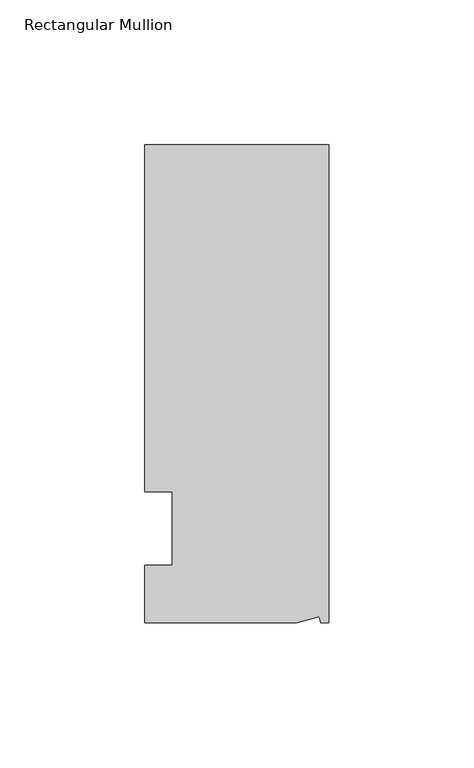
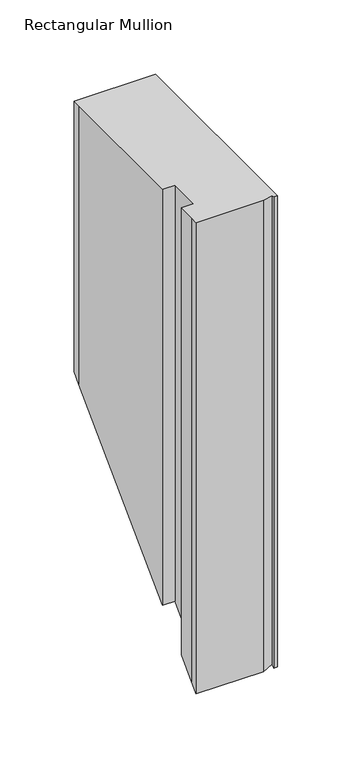
"""IFC4 building model written with IfcOpenShell, lengths in millimetres: member geometry, Rectangular Mullion."""

from ifc_helpers import new_model, si_unit, origin, place, context, project, spatial, faceted_brep, source, transform, mapped, element, save


def rectangular_mullion_58dadbcd(model_context):
    return source(origin(), model_context, "Body", "Brep", [
        faceted_brep([(0.0, 132.5561012, 0.0), (-63.5, 132.5561012, 0.0), (-63.5, 126.2061012, 0.0), (-63.5, 12.8054199, 0.0), (-53.975, 12.8054199, 0.0), (-53.975, -12.5945801, 0.0), (-63.5, -12.5945801, 0.0), (-63.5, -26.1938988, 0.0), (-63.5, -32.5438988, 0.0), (-11.121847, -32.5438988, 0.0), (-3.3341886, -30.4622958, 0.0), (-2.7616541, -32.5438988, 0.0), (0.0, -32.5438988, 0.0), (0.0, 132.5561012, -223.0438988), (-63.5, 132.5561012, -223.0438988), (-63.5, 126.2061012, -229.3938988), (-63.5, 12.8054199, -342.7945801), (-53.975, 12.8054199, -342.7945801), (-53.975, -12.5945801, -368.1945801), (-63.5, -12.5945801, -368.1945801), (-63.5, -26.1938988, -381.7938988), (-63.5, -32.5438988, -388.1438988), (-11.121847, -32.5438988, -388.1438988), (-3.3341886, -30.4622958, -386.0622958), (-2.7616541, -32.5438988, -388.1438988), (0.0, -32.5438988, -388.1438988)], [[[0, 1, 2, 3, 4, 5, 6, 7, 8, 9, 10, 11, 12]], [[1, 0, 13, 14]], [[2, 1, 14, 15]], [[3, 2, 15, 16]], [[4, 3, 16, 17]], [[5, 4, 17, 18]], [[6, 5, 18, 19]], [[7, 6, 19, 20]], [[8, 7, 20, 21]], [[9, 8, 21, 22]], [[10, 9, 22, 23]], [[11, 10, 23, 24]], [[12, 11, 24, 25]], [[0, 12, 25, 13]], [[13, 25, 24, 23, 22, 21, 20, 19, 18, 17, 16, 15, 14]]]),
    ])


if __name__ == "__main__":
    model = new_model("IFC4")
    model_context = context("Model", 3, world=origin())
    ifc_project = project(units=[si_unit("LENGTHUNIT", "METRE", prefix="MILLI")], contexts=[model_context])
    site = spatial("IfcSite", under=ifc_project)
    building = spatial("IfcBuilding", under=site)
    placement = place(None, origin())
    rectangular_mullion_shape = rectangular_mullion_58dadbcd(model_context)
    element("IfcMember", 1, ObjectType="Rectangular Mullion", at=placement, inside=building, context=model_context, shape_type="MappedRepresentation", body=[
        mapped(rectangular_mullion_shape, transform((0.0, 0.0, 0.0), x_axis=(1.0, 0.0, 0.0), y_axis=(0.0, 1.0, 0.0), z_axis=(0.0, 0.0, 1.0))),
    ])
    save(model, "model.ifc")
